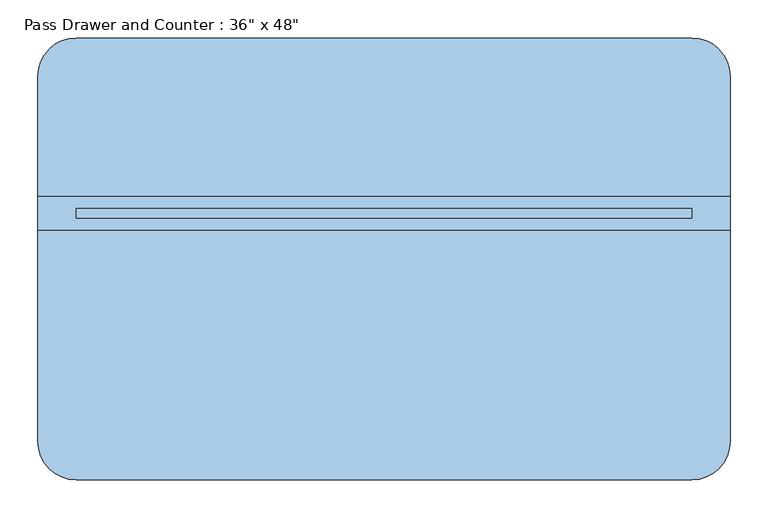
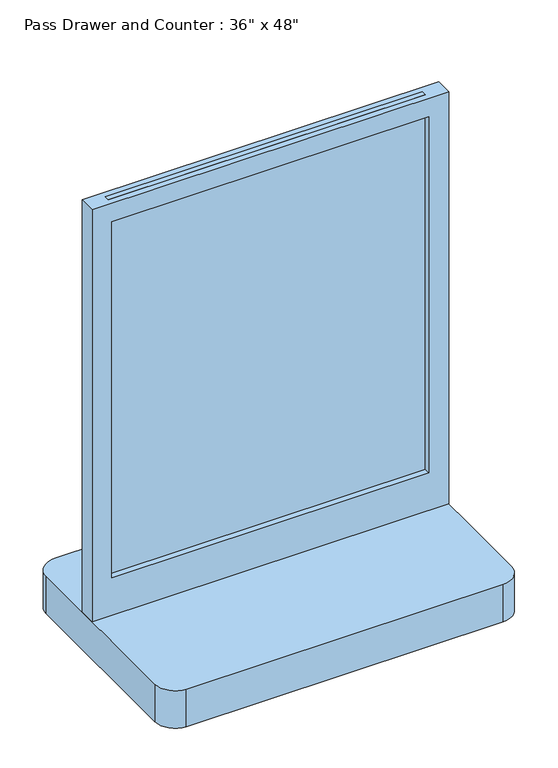
"""IFC4 building model written with IfcOpenShell, lengths in millimetres: window geometry."""

from ifc_helpers import new_model, si_unit, point, frame, frame_2d, origin, place, context, project, spatial, polyline, circle_curve, trimmed, segment, composite_curve, outline, extrude, source, transform, mapped, element, save


def window_dba33434(model_context):
    return source(origin(), model_context, "Body", "SweptSolid", [
        extrude(outline(polyline([(368.3, 53.975), (-444.5, 53.975), (-444.5, 66.675), (368.3, 66.675), (368.3, 53.975)])), frame((0.0, 0.0, 1016.0), z_axis=(0.0, 0.0, 1.0), x_axis=(1.0, 0.0, 0.0)), (0.0, 0.0, 1.0), 1016.0),
        extrude(outline(polyline([(2032.0, -495.3), (914.4, -495.3), (914.4, 419.1), (2032.0, 419.1), (2032.0, -495.3)]), holes=[polyline([(1981.2, -444.5), (1981.2, 368.3), (1016.0, 368.3), (1016.0, -444.5), (1981.2, -444.5)])]), frame((0.0, 38.1, 0.0), z_axis=(0.0, 1.0, 0.0), x_axis=(0.0, 0.0, 1.0)), (0.0, 0.0, 1.0), 44.45),
        extrude(outline(composite_curve([segment(trimmed(circle_curve(frame_2d((368.3, 241.3)), 50.8), [point((368.3, 292.1))], [point((419.1, 241.3))], False, "CARTESIAN"), True, "CONTINUOUS"), segment(polyline([(419.1, 241.3), (419.1, -241.3)]), True, "CONTINUOUS"), segment(trimmed(circle_curve(frame_2d((368.3, -241.3)), 50.8), [point((419.1, -241.3))], [point((368.3, -292.1))], False, "CARTESIAN"), True, "CONTINUOUS"), segment(polyline([(368.3, -292.1), (-444.5, -292.1)]), True, "CONTINUOUS"), segment(trimmed(circle_curve(frame_2d((-444.5, -241.3)), 50.8), [point((-444.5, -292.1))], [point((-495.3, -241.3))], False, "CARTESIAN"), True, "CONTINUOUS"), segment(polyline([(-495.3, -241.3), (-495.3, 241.3)]), True, "CONTINUOUS"), segment(trimmed(circle_curve(frame_2d((-444.5, 241.3)), 50.8), [point((-495.3, 241.3))], [point((-444.5, 292.1))], False, "CARTESIAN"), True, "CONTINUOUS"), segment(polyline([(-444.5, 292.1), (368.3, 292.1)]), True, "CONTINUOUS")], self_intersect=False)), frame((0.0, 0.0, 812.8), z_axis=(0.0, 0.0, 1.0), x_axis=(1.0, 0.0, 0.0)), (0.0, 0.0, 1.0), 101.6),
    ])


if __name__ == "__main__":
    model = new_model("IFC4")
    model_context = context("Model", 3, world=origin())
    ifc_project = project(units=[si_unit("LENGTHUNIT", "METRE", prefix="MILLI")], contexts=[model_context])
    site = spatial("IfcSite", under=ifc_project)
    building = spatial("IfcBuilding", under=site)
    placement = place(None, origin())
    window_shape = window_dba33434(model_context)
    element("IfcWindow", 1, ObjectType="Pass Drawer and Counter : 36\" x 48\"", at=placement, inside=building, context=model_context, shape_type="MappedRepresentation", body=[
        mapped(window_shape, transform((0.0, 0.0, 0.0), x_axis=(1.0, 0.0, 0.0), y_axis=(0.0, 1.0, 0.0), z_axis=(0.0, 0.0, 1.0))),
    ])
    save(model, "model.ifc")
